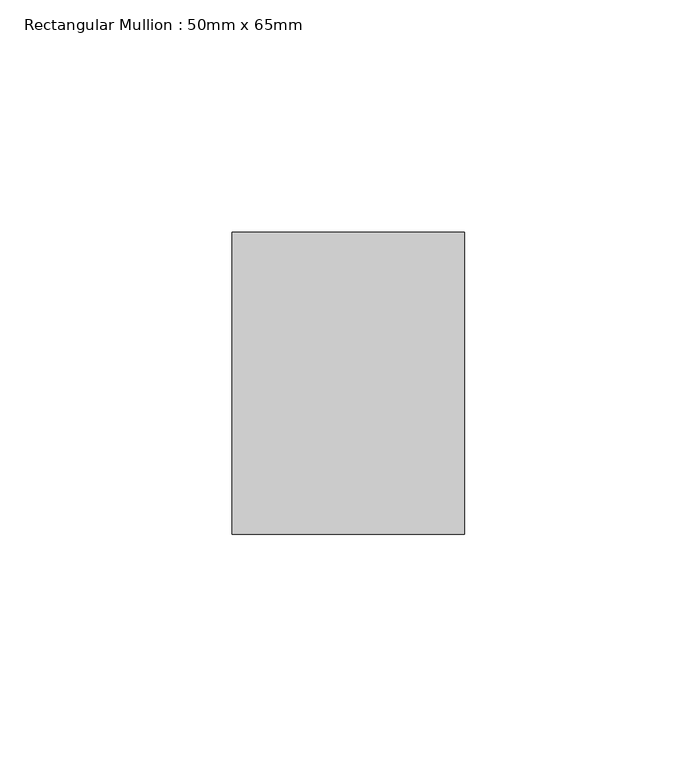
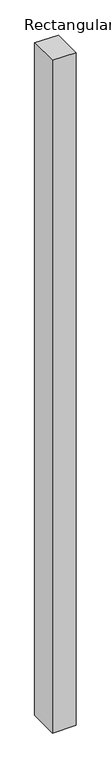
"""IFC4 building model written with IfcOpenShell, lengths in millimetres: member geometry, Rectangular Mullion : 50mm x 65mm."""

from ifc_helpers import new_model, si_unit, origin, place, context, project, spatial, faceted_brep, source, transform, mapped, element, save


def rectangular_mullion_50mm_x_65mm_a1c63623(model_context):
    return source(origin(), model_context, "Body", "Brep", [
        faceted_brep([(-25.0, 32.5, -0.2664468), (25.0, 32.5, -0.2664475), (25.0, 32.5, -1499.6465111), (-25.0, 32.5, -1499.646512), (-25.0, -32.5, 0.2664475), (-25.0, -32.5, -1500.3538516), (25.0, -32.5, 0.2664468), (25.0, -32.5, -1500.3538507)], [[[0, 1, 2, 3]], [[4, 0, 3, 5]], [[6, 4, 5, 7]], [[1, 6, 7, 2]], [[1, 0, 4, 6]], [[2, 7, 5, 3]]]),
    ])


if __name__ == "__main__":
    model = new_model("IFC4")
    model_context = context("Model", 3, world=origin())
    ifc_project = project(units=[si_unit("LENGTHUNIT", "METRE", prefix="MILLI")], contexts=[model_context])
    site = spatial("IfcSite", under=ifc_project)
    building = spatial("IfcBuilding", under=site)
    placement = place(None, origin())
    rectangular_mullion_50mm_x_65mm_shape = rectangular_mullion_50mm_x_65mm_a1c63623(model_context)
    element("IfcMember", 1, ObjectType="Rectangular Mullion : 50mm x 65mm", at=placement, inside=building, context=model_context, shape_type="MappedRepresentation", body=[
        mapped(rectangular_mullion_50mm_x_65mm_shape, transform((0.0, 0.0, 0.0), x_axis=(1.0, 0.0, 0.0), y_axis=(0.0, 1.0, 0.0), z_axis=(0.0, 0.0, 1.0))),
    ])
    save(model, "model.ifc")
